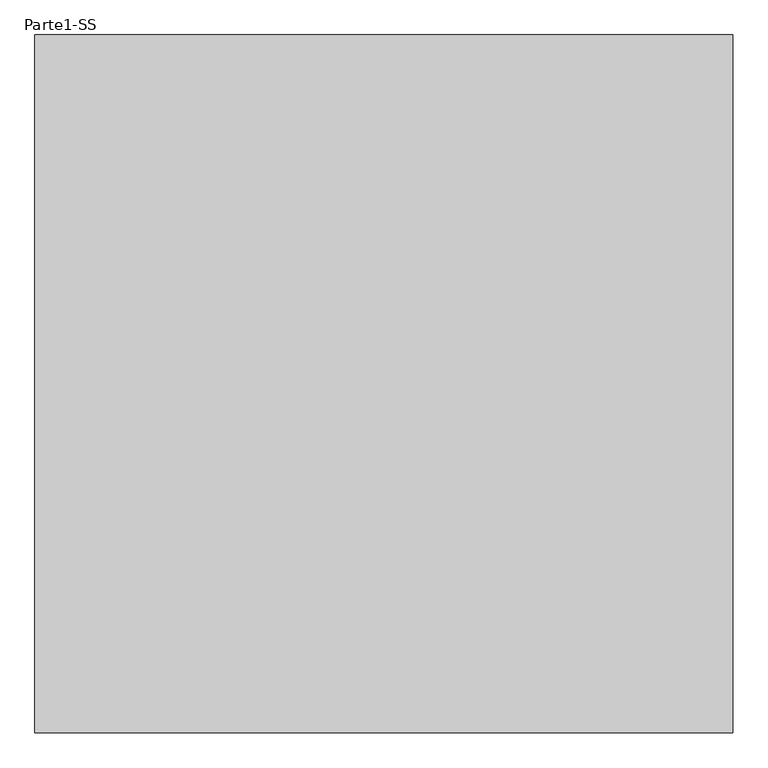
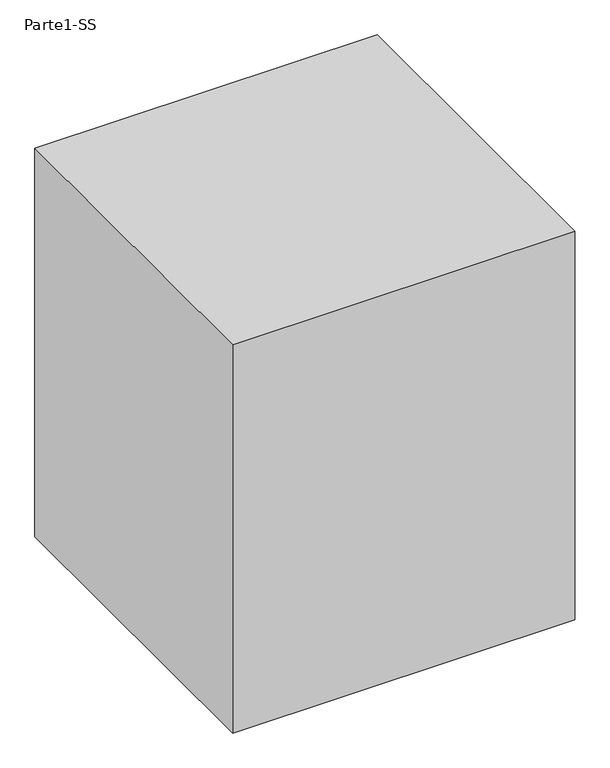
"""IFC4 building model written with IfcOpenShell, lengths in millimetres: proxy geometry, Parte1-SS."""

from ifc_helpers import new_model, si_unit, frame, origin, place, context, project, spatial, polyline, outline, extrude, source, transform, mapped, element, save


def parte1_ss_e08f58c2(model_context):
    return source(origin(), model_context, "Body", "SweptSolid", [
        extrude(outline(polyline([(10000.0, 10000.0), (10000.0, 0.0), (0.0, 0.0), (0.0, 10000.0), (10000.0, 10000.0)])), frame((0.0, 0.0, 5000.0), z_axis=(0.0, 0.0, 1.0), x_axis=(1.0, 0.0, 0.0)), (0.0, 0.0, 1.0), 12000.0),
    ])


if __name__ == "__main__":
    model = new_model("IFC4")
    model_context = context("Model", 3, world=origin())
    ifc_project = project(units=[si_unit("LENGTHUNIT", "METRE", prefix="MILLI")], contexts=[model_context])
    site = spatial("IfcSite", under=ifc_project)
    building = spatial("IfcBuilding", under=site)
    placement = place(None, origin())
    parte1_ss_shape = parte1_ss_e08f58c2(model_context)
    element("IfcBuildingElementProxy", 1, Name="Parte1-SS", ObjectType="Parte1-SS", at=placement, inside=building, context=model_context, shape_type="MappedRepresentation", body=[
        mapped(parte1_ss_shape, transform((0.0, 0.0, 0.0), x_axis=(1.0, 0.0, 0.0), y_axis=(0.0, 1.0, 0.0), z_axis=(0.0, 0.0, 1.0))),
    ])
    save(model, "model.ifc")
